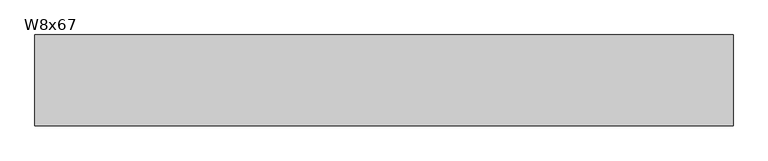
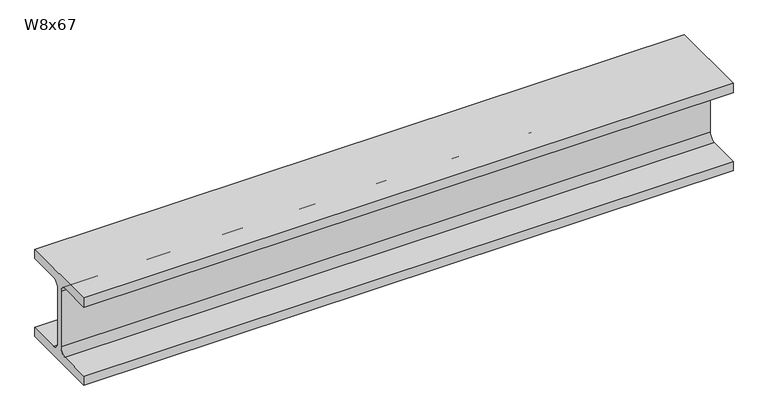
"""IFC4 building model written with IfcOpenShell, lengths in millimetres: beam geometry, W8x67."""

import ifcopenshell
import ifcopenshell.guid

model = None  # the IFC model being written
_history = None  # IfcOwnerHistory: only IFC2X3 demands one
_inside = {}  # id of a spatial element -> (the spatial element, [elements in it])
_under = {}  # id of a project, library or spatial element -> (it, [spatial elements below it])
_declared = {}  # id of a project -> (the project, [libraries it declares])
_typed = {}  # id of a type object -> (the type object, [elements of that type])
_made_of = {}  # id of a material, layer set ... -> (it, [elements and type objects made of it])


def new_model(schema):
    """Start an empty IFC model of exactly this schema.

    Asked for "IFC4X3", IfcOpenShell would pick the latest addendum, in which some entities
    have other attributes; the version numbers below select the first issue.
    IFC2X3 requires an IfcOwnerHistory on every rooted entity: one is made here for all.
    """
    global model, _history
    if schema == "IFC4X3":
        model = ifcopenshell.file(schema_version=(4, 3, 0, 0))
    else:
        model = ifcopenshell.file(schema=schema)
    _inside.clear()
    _under.clear()
    _declared.clear()
    _typed.clear()
    _made_of.clear()
    _history = None
    if model.schema == "IFC2X3":
        org = make("IfcOrganization", Name="unknown")
        user = make(
            "IfcPersonAndOrganization",
            ThePerson=make("IfcPerson", FamilyName="unknown"),
            TheOrganization=org,
        )
        app = make(
            "IfcApplication",
            ApplicationDeveloper=org,
            Version="unknown",
            ApplicationFullName="unknown",
            ApplicationIdentifier="unknown",
        )
        _history = make(
            "IfcOwnerHistory",
            OwningUser=user,
            OwningApplication=app,
            ChangeAction="ADDED",
            CreationDate=0,
        )
    return model


def make(cls, **values):
    """One entity of the class cls with the attributes given. An attribute that is None is left unset."""
    return model.create_entity(
        cls, **{name: value for name, value in values.items() if value is not None}
    )


def rooted(cls, **values):
    """An entity with a GlobalId (a new one), such as an element, a storey or a relation."""
    return make(cls, GlobalId=ifcopenshell.guid.new(), OwnerHistory=_history, **values)


def si_unit(unit_type, name, prefix=None):
    """IfcSIUnit, for example si_unit("LENGTHUNIT", "METRE", prefix="MILLI")."""
    return make("IfcSIUnit", UnitType=unit_type, Prefix=prefix, Name=name)


def assignment(units):
    """IfcUnitAssignment: the units of a project."""
    return None if units is None else make("IfcUnitAssignment", Units=units)


def point(xyz):
    """IfcCartesianPoint."""
    return None if xyz is None else make("IfcCartesianPoint", Coordinates=xyz)


def direction(xyz):
    """IfcDirection."""
    return None if xyz is None else make("IfcDirection", DirectionRatios=xyz)


def frame(location, z_axis=None, x_axis=None):
    """IfcAxis2Placement3D, a coordinate frame: its origin and axes. An axis left out is left unset."""
    return make(
        "IfcAxis2Placement3D",
        Location=point(location),
        Axis=direction(z_axis),
        RefDirection=direction(x_axis),
    )


def frame_2d(location, x_axis=None):
    """IfcAxis2Placement2D, a coordinate frame in the plane: its origin and x axis."""
    return make(
        "IfcAxis2Placement2D", Location=point(location), RefDirection=direction(x_axis)
    )


def origin():
    """The frame at (0, 0, 0) with its axes left unset."""
    return frame((0.0, 0.0, 0.0))


def place(relative_to, where):
    """IfcLocalPlacement: puts the frame where relative to a parent placement (None: the world)."""
    return make(
        "IfcLocalPlacement", PlacementRelTo=relative_to, RelativePlacement=where
    )


def context(
    kind, dimensions, precision=None, world=None, true_north=None, identifier=None
):
    """IfcGeometricRepresentationContext, for example the 3D "Model" context."""
    return make(
        "IfcGeometricRepresentationContext",
        ContextIdentifier=identifier,
        ContextType=kind,
        CoordinateSpaceDimension=dimensions,
        Precision=precision,
        WorldCoordinateSystem=world,
        TrueNorth=true_north,
    )


def project(units=None, contexts=None):
    """IfcProject with its units and contexts."""
    return rooted(
        "IfcProject",
        Name="project",
        RepresentationContexts=contexts,
        UnitsInContext=assignment(units),
    )


def spatial(cls, under=None, at=None, **own):
    """A site, building, storey or space (cls), placed at a placement, below another one or the project."""
    s = rooted(cls, ObjectPlacement=at, **own)
    if under is not None:
        _under.setdefault(under.id(), (under, []))[1].append(s)
    return s


def polyline(points):
    """IfcPolyline through the points."""
    return make("IfcPolyline", Points=[point(p) for p in points])


def circle_curve(where, radius):
    """IfcCircle in the frame where."""
    return make("IfcCircle", Position=where, Radius=radius)


def trimmed(basis, trim1, trim2, sense, master):
    """IfcTrimmedCurve: the piece of a basis curve between two trims."""
    return make(
        "IfcTrimmedCurve",
        BasisCurve=basis,
        Trim1=trim1,
        Trim2=trim2,
        SenseAgreement=sense,
        MasterRepresentation=master,
    )


def segment(curve, same_sense, transition):
    """IfcCompositeCurveSegment."""
    return make(
        "IfcCompositeCurveSegment",
        Transition=transition,
        SameSense=same_sense,
        ParentCurve=curve,
    )


def composite_curve(segments, self_intersect=None):
    """IfcCompositeCurve: segments joined end to end."""
    return make("IfcCompositeCurve", Segments=segments, SelfIntersect=self_intersect)


def outline(outer, holes=None, kind="AREA"):
    """IfcArbitraryClosedProfileDef: a profile drawn as a closed curve; with holes, ...WithVoids."""
    if holes is None:
        return make("IfcArbitraryClosedProfileDef", ProfileType=kind, OuterCurve=outer)
    return make(
        "IfcArbitraryProfileDefWithVoids",
        ProfileType=kind,
        OuterCurve=outer,
        InnerCurves=holes,
    )


def extrude(swept, where, along, depth):
    """IfcExtrudedAreaSolid: the profile swept, set in the frame where, extruded along a direction by depth."""
    return make(
        "IfcExtrudedAreaSolid",
        SweptArea=swept,
        Position=where,
        ExtrudedDirection=direction(along),
        Depth=depth,
    )


def shape(context_of_items, identifier, shape_type, items):
    """IfcShapeRepresentation: the items that make up one representation, for example the "Body"."""
    return make(
        "IfcShapeRepresentation",
        ContextOfItems=context_of_items,
        RepresentationIdentifier=identifier,
        RepresentationType=shape_type,
        Items=items,
    )


def source(mapping_origin, context_of_items, identifier, shape_type, items):
    """IfcRepresentationMap: a shape defined once, which mapped items show again and again."""
    return make(
        "IfcRepresentationMap",
        MappingOrigin=mapping_origin,
        MappedRepresentation=shape(context_of_items, identifier, shape_type, items),
    )


def transform(
    local_origin,
    x_axis=None,
    y_axis=None,
    z_axis=None,
    scale=None,
    scale2=None,
    scale3=None,
    uniform=True,
):
    """IfcCartesianTransformationOperator3D, or its non-uniform kind. x_axis, y_axis, z_axis: its Axis1, 2, 3."""
    if uniform:
        return make(
            "IfcCartesianTransformationOperator3D",
            Axis1=direction(x_axis),
            Axis2=direction(y_axis),
            LocalOrigin=point(local_origin),
            Scale=scale,
            Axis3=direction(z_axis),
        )
    return make(
        "IfcCartesianTransformationOperator3DnonUniform",
        Axis1=direction(x_axis),
        Axis2=direction(y_axis),
        LocalOrigin=point(local_origin),
        Scale=scale,
        Axis3=direction(z_axis),
        Scale2=scale2,
        Scale3=scale3,
    )


def mapped(mapping_source, mapping_target):
    """IfcMappedItem: shows the shape of a source again, moved by a transform."""
    return make(
        "IfcMappedItem", MappingSource=mapping_source, MappingTarget=mapping_target
    )


def made_of(thing, what):
    """Note that an element or type object is made of a material, layer set ...; save() writes the relation."""
    if what is not None:
        _made_of.setdefault(what.id(), (what, []))[1].append(thing)
    return thing


def element(
    cls,
    number,
    at=None,
    inside=None,
    cuts=None,
    type_object=None,
    material=None,
    context=None,
    identifier="Body",
    shape_type=None,
    held_by="IfcProductDefinitionShape",
    body=None,
    shapes=None,
    **own,
):
    """One element of the class cls, such as IfcWall. Its Tag is "e" and its number.

    at: its placement. inside: the storey or other place that contains it. cuts: it is an
    opening in that element (IfcRelVoidsElement). A single representation is given by context,
    identifier, shape_type and body (its items); several are given by shapes. held_by: the class
    of the entity that holds the representations. save() writes the other relations.
    """
    e = rooted(cls, Tag="e%d" % number, ObjectPlacement=at, **own)
    if body is not None:
        shapes = [shape(context, identifier, shape_type, body)]
    if shapes is not None:
        e.Representation = make(held_by, Representations=shapes)
    if inside is not None:
        _inside.setdefault(inside.id(), (inside, []))[1].append(e)
    if cuts is not None:
        rooted(
            "IfcRelVoidsElement", RelatingBuildingElement=cuts, RelatedOpeningElement=e
        )
    if type_object is not None:
        _typed.setdefault(type_object.id(), (type_object, []))[1].append(e)
    return made_of(e, material)


def aggregate(whole, parts):
    """IfcRelAggregates: a whole, such as a stair, and the parts it consists of."""
    return rooted("IfcRelAggregates", RelatingObject=whole, RelatedObjects=parts)


def save(model, path):
    """Write the relations noted so far, then the file.

    IfcRelAggregates (storeys below a building ...), IfcRelContainedInSpatialStructure (elements
    in a storey), IfcRelDefinesByType, IfcRelAssociatesMaterial and IfcRelDeclares: one each for
    every whole, place, type object, material and project.
    """
    for whole, parts in _under.values():
        aggregate(whole, parts)
    for where, things in _inside.values():
        rooted(
            "IfcRelContainedInSpatialStructure",
            RelatedElements=things,
            RelatingStructure=where,
        )
    for kind, things in _typed.values():
        rooted("IfcRelDefinesByType", RelatedObjects=things, RelatingType=kind)
    for what, things in _made_of.values():
        rooted("IfcRelAssociatesMaterial", RelatedObjects=things, RelatingMaterial=what)
    for by, libraries in _declared.values():
        rooted("IfcRelDeclares", RelatingContext=by, RelatedDefinitions=libraries)
    model.write(path)


def w8x67_2ac4e2be(model_context):
    return source(origin(), model_context, "Body", "SweptSolid", [
        extrude(outline(composite_curve([segment(polyline([(-105.156, -90.551), (-24.765, -90.551)]), True, "CONTINUOUS"), segment(trimmed(circle_curve(frame_2d((-24.765, -73.025)), 17.526), [point((-24.765, -90.551))], [point((-7.239, -73.025))], True, "CARTESIAN"), True, "CONTINUOUS"), segment(polyline([(-7.239, -73.025), (-7.239, 73.025)]), True, "CONTINUOUS"), segment(trimmed(circle_curve(frame_2d((-24.765, 73.025)), 17.526), [point((-7.239, 73.025))], [point((-24.765, 90.551))], True, "CARTESIAN"), True, "CONTINUOUS"), segment(polyline([(-24.765, 90.551), (-105.156, 90.551), (-105.156, 114.3), (105.156, 114.3), (105.156, 90.551), (24.765, 90.551)]), True, "CONTINUOUS"), segment(trimmed(circle_curve(frame_2d((24.765, 73.025)), 17.526), [point((24.765, 90.551))], [point((7.239, 73.025))], True, "CARTESIAN"), True, "CONTINUOUS"), segment(polyline([(7.239, 73.025), (7.239, -73.025)]), True, "CONTINUOUS"), segment(trimmed(circle_curve(frame_2d((24.765, -73.025)), 17.526), [point((7.239, -73.025))], [point((24.765, -90.551))], True, "CARTESIAN"), True, "CONTINUOUS"), segment(polyline([(24.765, -90.551), (105.156, -90.551), (105.156, -114.3), (-105.156, -114.3), (-105.156, -90.551)]), True, "CONTINUOUS")], self_intersect=False)), frame((-806.2482377, 0.0, 0.0), z_axis=(1.0, 0.0, 0.0), x_axis=(0.0, 1.0, 0.0)), (0.0, 0.0, 1.0), 1612.4964754),
    ])


if __name__ == "__main__":
    model = new_model("IFC4")
    model_context = context("Model", 3, world=origin())
    ifc_project = project(units=[si_unit("LENGTHUNIT", "METRE", prefix="MILLI")], contexts=[model_context])
    site = spatial("IfcSite", under=ifc_project)
    building = spatial("IfcBuilding", under=site)
    placement = place(None, origin())
    w8x67_shape = w8x67_2ac4e2be(model_context)
    element("IfcBeam", 1, ObjectType="W8x67", at=placement, inside=building, context=model_context, shape_type="MappedRepresentation", body=[
        mapped(w8x67_shape, transform((0.0, 0.0, 0.0), x_axis=(1.0, 0.0, 0.0), y_axis=(0.0, 1.0, 0.0), z_axis=(0.0, 0.0, 1.0))),
    ])
    save(model, "model.ifc")
